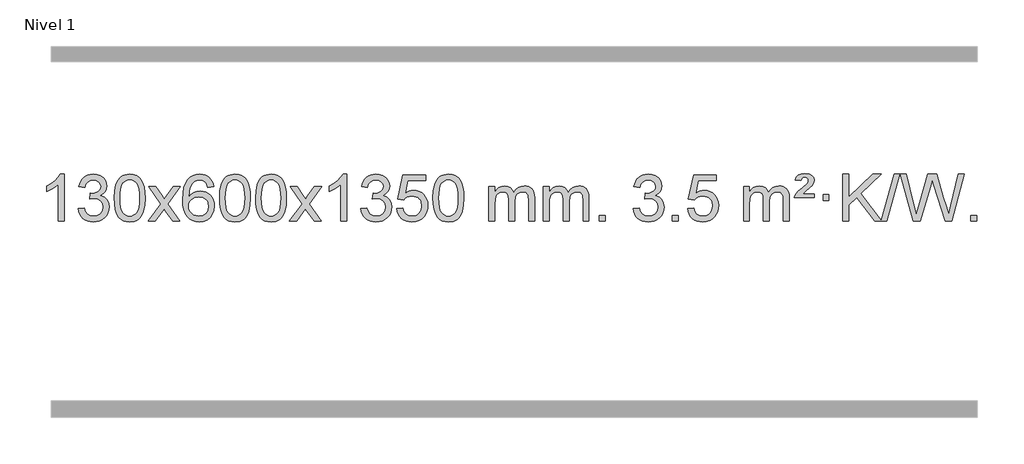
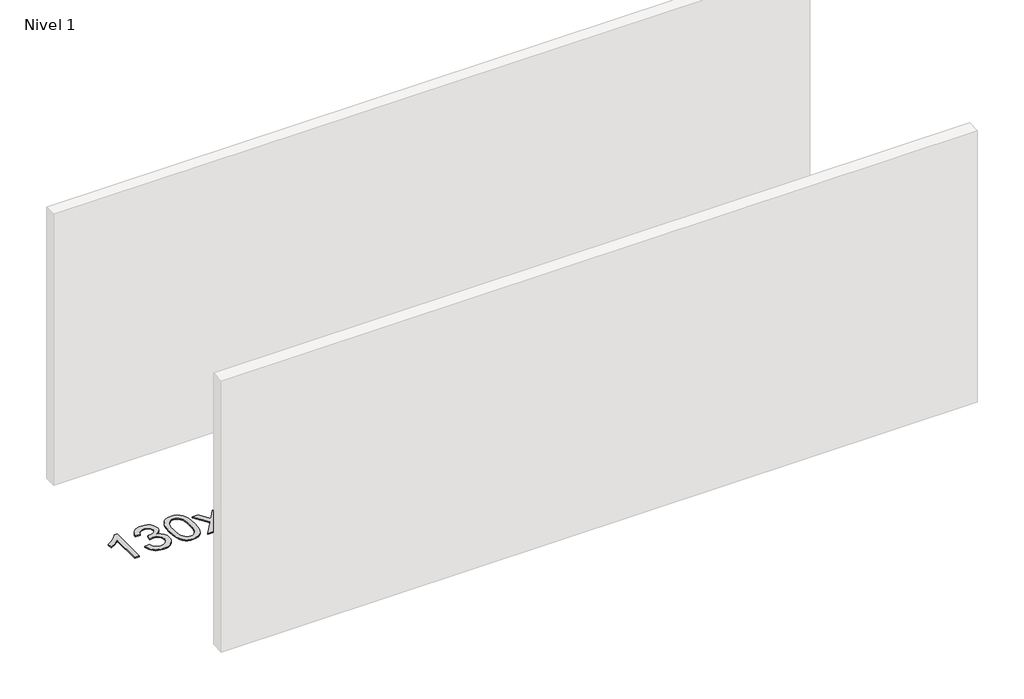
# One storey, part 12 of 25: 1 proxy.
"""IFC4 building model written with IfcOpenShell, lengths in millimetres."""

from ifc_helpers import new_model, si_unit, origin, origin_with_axes, place, context, project, spatial, polyline, outline, extrude, element, save

model = new_model("IFC4")

# Units and contexts
model_context = context("Model", 3, world=origin())
ifc_project = project(units=[si_unit("LENGTHUNIT", "METRE", prefix="MILLI")], contexts=[model_context])

# Site, building, storey
site = spatial("IfcSite", under=ifc_project)
building = spatial("IfcBuilding", under=site)
storey = spatial("IfcBuildingStorey", under=building, Name="Nivel 1", Elevation=0.0)

# Proxy
placement = place(None, origin())
element("IfcBuildingElementProxy", 1, Name="Texto de modelo 1", ObjectType="Texto de modelo 1", at=placement, inside=storey, context=model_context, shape_type="SweptSolid", body=[
    extrude(outline(polyline([(-121.6378538, -33710.579453), (-171.8660089, -33710.579453), (-171.8660089, -33397.4382987), (-192.8352826, -33414.3976587), (-219.4454136, -33431.3324932), (-272.3223191, -33456.6918254), (-272.3223191, -33409.2105225), (-232.8731065, -33387.7507395), (-198.6968691, -33362.219729), (-171.7556443, -33335.0700378), (-154.0114694, -33308.7542124), (-121.6378538, -33308.7542124), (-121.6378538, -33710.579453)])), origin_with_axes(), (0.0, 0.0, 1.0), 10.0),
    extrude(outline(polyline([(-2.3459855, -33603.8446235), (47.8821695, -33597.5661041), (59.1270958, -33629.1303793), (75.5959465, -33650.4430095), (98.0980619, -33662.5831154), (127.4427824, -33666.6298173), (161.8765371, -33661.0625364), (176.1503585, -33654.1034354), (188.4621426, -33644.3606939), (205.4582908, -33619.4428201), (211.1236735, -33589.2274455), (205.5073417, -33560.5449126), (188.6583463, -33537.2825078), (163.1518614, -33521.8682522), (131.5630607, -33516.730167), (96.344491, -33522.2238715), (101.9362974, -33471.9957164), (109.9806503, -33472.5843276), (140.0733975, -33468.979084), (166.9778341, -33458.1633534), (178.0510822, -33449.9841103), (185.9605451, -33439.8673555), (190.7062228, -33427.8130888), (192.2881154, -33413.8213102), (187.7018532, -33392.1285352), (173.9430665, -33374.5315131), (152.9492674, -33362.8696539), (126.6579674, -33358.9823675), (100.3176166, -33362.9064421), (78.7842571, -33374.6786659), (63.0634332, -33394.299039), (54.1606889, -33421.7675613), (3.9325338, -33415.4890419), (9.8860908, -33391.5092672), (18.72139, -33370.3867093), (30.4384316, -33352.1213683), (45.0372154, -33336.713244), (62.0578891, -33324.4811677), (81.0406, -33315.7439703), (101.9853483, -33310.5016519), (124.8921339, -33308.7542124), (156.4686718, -33312.2000404), (185.4700357, -33322.5375245), (209.9219257, -33338.8469596), (227.8500416, -33360.2086408), (238.8497132, -33384.8199463), (242.5162704, -33410.8782543), (239.0336542, -33435.1584659), (228.5858056, -33457.1823347), (211.3198773, -33475.9443165), (187.3830221, -33490.4388671), (218.82467, -33503.1430586), (242.123863, -33524.77452), (256.5448372, -33554.1560286), (261.3518286, -33590.1103623), (258.9483329, -33615.5923218), (251.7378458, -33639.0631931), (239.7203673, -33660.5229762), (222.8958974, -33679.971671), (202.3987389, -33696.1094278), (179.3631946, -33707.636397), (153.7892646, -33714.5525785), (125.6769488, -33716.8579724), (100.2685656, -33714.8898037), (77.1165254, -33708.9852977), (56.2208281, -33699.1444543), (37.5814737, -33685.3672736), (21.9526202, -33668.4630959), (10.0884259, -33649.2412617), (1.9888906, -33627.7017708), (-2.3459855, -33603.8446235)])), origin_with_axes(), (0.0, 0.0, 1.0), 10.0),
    extrude(outline(polyline([(305.3014643, -33512.9041943), (308.992547, -33448.5861588), (320.065795, -33397.2911459), (338.4108439, -33358.2343407), (350.2689068, -33343.0009605), (363.9173289, -33330.6309284), (379.4020952, -33321.0598651), (396.769191, -33314.2233914), (437.1503714, -33308.7542124), (468.1015099, -33311.991574), (495.8152869, -33321.7036586), (518.9918526, -33337.5103217), (536.3313573, -33359.0314184), (549.4279563, -33386.0830078), (559.8758049, -33418.4811488), (566.7184101, -33459.6226186), (568.9992784, -33512.9041943), (565.3449839, -33576.8543477), (554.3821005, -33628.0267333), (536.1474163, -33667.1203266), (524.3169444, -33682.3996922), (510.6777195, -33694.8341036), (495.174559, -33704.4695462), (477.7522809, -33711.3520052), (437.1503714, -33716.8579724), (409.4856453, -33714.4667394), (384.960179, -33707.2930405), (363.5739723, -33695.3368757), (345.3270254, -33678.5982449), (327.8158424, -33648.3399508), (315.3078546, -33610.6381776), (307.8030619, -33565.4929255), (305.3014643, -33512.9041943)]), holes=[polyline([(355.5296194, -33512.8060924), (357.0011473, -33556.4706195), (361.4157313, -33591.8148822), (368.7733712, -33618.8388804), (379.0740671, -33637.5426142), (391.533004, -33650.2682656), (405.365367, -33659.3580165), (420.5711561, -33664.8118671), (437.1503714, -33666.6298173), (453.7295866, -33664.8057357), (468.9353757, -33659.3334911), (482.7677388, -33650.2130833), (495.2266757, -33637.4445124), (505.5273715, -33618.7101217), (512.8850114, -33591.6922549), (517.2995954, -33556.3909118), (518.7711234, -33512.8060924), (517.3486463, -33470.2973278), (513.0812152, -33435.5753989), (505.9688299, -33408.6403055), (496.0114906, -33389.4920476), (483.7610201, -33376.1440625), (469.7692416, -33366.6097875), (454.0361549, -33360.8892225), (436.5617602, -33358.9823675), (420.068384, -33360.6623619), (405.1201123, -33365.7023452), (391.716945, -33374.1023175), (379.858882, -33385.8622786), (369.2148296, -33406.708925), (361.611935, -33434.8151094), (357.0501983, -33470.1808319), (355.5296194, -33512.8060924)])]), origin_with_axes(), (0.0, 0.0, 1.0), 10.0),
    extrude(outline(polyline([(594.113356, -33710.579453), (701.4367967, -33562.1513307), (600.3918754, -33415.4890419), (660.6264207, -33415.4890419), (709.3830478, -33486.2204869), (732.2407824, -33519.4770192), (752.0573592, -33492.2047007), (807.583015, -33415.4890419), (868.0137641, -33415.4890419), (761.8675458, -33562.2494325), (864.0896895, -33710.579453), (803.7570423, -33710.579453), (742.1490708, -33621.3067555), (730.9654582, -33604.923744), (654.544105, -33710.579453), (594.113356, -33710.579453)])), origin_with_axes(), (0.0, 0.0, 1.0), 10.0),
    extrude(outline(polyline([(1152.9015812, -33415.4890419), (1102.6734261, -33421.7675613), (1094.5800222, -33396.874213), (1083.6416642, -33379.8780648), (1060.857506, -33364.2062918), (1033.3154073, -33358.9823675), (1009.9671633, -33362.0235253), (987.9923455, -33371.1469988), (969.1199991, -33390.3627017), (953.7057435, -33416.8134171), (943.2946831, -33454.227016), (939.4319221, -33506.3313693), (959.5795927, -33482.8237098), (983.7249143, -33466.2567573), (1010.5189863, -33456.434308), (1038.612908, -33453.1601582), (1062.7459669, -33455.398107), (1085.0150903, -33462.1119534), (1105.4202783, -33473.3016975), (1123.9615309, -33488.9673391), (1139.3696551, -33508.1769106), (1150.3754581, -33529.9984443), (1156.97894, -33554.4319401), (1159.1801006, -33581.4773982), (1155.0352967, -33617.4439945), (1142.6008853, -33650.786366), (1122.9069358, -33679.0642287), (1096.9835179, -33699.8372987), (1066.0078539, -33712.602804), (1031.1571662, -33716.8579724), (1001.2146375, -33714.0375437), (974.1722452, -33705.5762579), (950.0299893, -33691.4741147), (928.7878697, -33671.7311143), (911.4698248, -33645.5133908), (899.0997927, -33611.9870783), (891.6777734, -33571.1521768), (889.203767, -33523.0086864), (891.9506193, -33469.0342663), (900.191176, -33422.9693092), (913.9254371, -33384.8138149), (933.1534027, -33354.5677835), (953.9939177, -33334.5243462), (978.1576335, -33320.2076052), (1005.6445499, -33311.6175606), (1036.454667, -33308.7542124), (1059.5883131, -33310.5261773), (1080.52693, -33315.8420722), (1099.2705176, -33324.7018969), (1115.8190761, -33337.1056515), (1129.7250155, -33352.6364031), (1140.5407461, -33370.8772186), (1148.266268, -33391.8280983), (1152.9015812, -33415.4890419)]), holes=[polyline([(939.4319221, -33580.6925832), (942.3381899, -33602.9494439), (951.0569932, -33624.2007605), (964.5950506, -33642.472233), (981.9590807, -33655.7895612), (1002.9160917, -33663.9197533), (1027.2330916, -33666.6298173), (1060.3792594, -33661.0134855), (1074.2943959, -33653.9930708), (1086.4375674, -33644.1644901), (1096.2876078, -33631.9262824), (1103.323351, -33617.6769865), (1108.9519455, -33583.1451299), (1103.3969274, -33549.9989621), (1096.4531547, -33536.3781312), (1086.731873, -33524.725469), (1074.5519133, -33515.3904634), (1060.2321066, -33508.7226022), (1025.1729524, -33503.3883133), (992.0758356, -33508.7226022), (964.3988468, -33524.725469), (953.4758173, -33536.2248471), (945.6736533, -33549.3858254), (940.9923549, -33564.2084042), (939.4319221, -33580.6925832)])]), origin_with_axes(), (0.0, 0.0, 1.0), 10.0),
    extrude(outline(polyline([(1203.1297362, -33512.9041943), (1206.8208189, -33448.5861588), (1217.894067, -33397.2911459), (1236.2391158, -33358.2343407), (1248.0971788, -33343.0009605), (1261.7456008, -33330.6309284), (1277.2303671, -33321.0598651), (1294.597463, -33314.2233914), (1334.9786433, -33308.7542124), (1365.9297818, -33311.991574), (1393.6435588, -33321.7036586), (1416.8201245, -33337.5103217), (1434.1596292, -33359.0314184), (1447.2562282, -33386.0830078), (1457.7040769, -33418.4811488), (1464.546682, -33459.6226186), (1466.8275504, -33512.9041943), (1463.1732559, -33576.8543477), (1452.2103724, -33628.0267333), (1433.9756882, -33667.1203266), (1422.1452164, -33682.3996922), (1408.5059914, -33694.8341036), (1393.002831, -33704.4695462), (1375.5805529, -33711.3520052), (1334.9786433, -33716.8579724), (1307.3139173, -33714.4667394), (1282.7884509, -33707.2930405), (1261.4022443, -33695.3368757), (1243.1552973, -33678.5982449), (1225.6441144, -33648.3399508), (1213.1361265, -33610.6381776), (1205.6313338, -33565.4929255), (1203.1297362, -33512.9041943)]), holes=[polyline([(1253.3578913, -33512.8060924), (1254.8294193, -33556.4706195), (1259.2440032, -33591.8148822), (1266.6016432, -33618.8388804), (1276.902339, -33637.5426142), (1289.3612759, -33650.2682656), (1303.1936389, -33659.3580165), (1318.3994281, -33664.8118671), (1334.9786433, -33666.6298173), (1351.5578586, -33664.8057357), (1366.7636477, -33659.3334911), (1380.5960107, -33650.2130833), (1393.0549476, -33637.4445124), (1403.3556435, -33618.7101217), (1410.7132834, -33591.6922549), (1415.1278673, -33556.3909118), (1416.5993953, -33512.8060924), (1415.1769183, -33470.2973278), (1410.9094871, -33435.5753989), (1403.7971019, -33408.6403055), (1393.8397625, -33389.4920476), (1381.5892921, -33376.1440625), (1367.5975136, -33366.6097875), (1351.8644269, -33360.8892225), (1334.3900321, -33358.9823675), (1317.896656, -33360.6623619), (1302.9483843, -33365.7023452), (1289.5452169, -33374.1023175), (1277.6871539, -33385.8622786), (1267.0431015, -33406.708925), (1259.440207, -33434.8151094), (1254.8784702, -33470.1808319), (1253.3578913, -33512.8060924)])]), origin_with_axes(), (0.0, 0.0, 1.0), 10.0),
    extrude(outline(polyline([(1510.7771861, -33512.9041943), (1514.4682688, -33448.5861588), (1525.5415168, -33397.2911459), (1543.8865656, -33358.2343407), (1555.7446286, -33343.0009605), (1569.3930506, -33330.6309284), (1584.877817, -33321.0598651), (1602.2449128, -33314.2233914), (1642.6260932, -33308.7542124), (1673.5772317, -33311.991574), (1701.2910087, -33321.7036586), (1724.4675743, -33337.5103217), (1741.8070791, -33359.0314184), (1754.9036781, -33386.0830078), (1765.3515267, -33418.4811488), (1772.1941319, -33459.6226186), (1774.4750002, -33512.9041943), (1770.8207057, -33576.8543477), (1759.8578223, -33628.0267333), (1741.6231381, -33667.1203266), (1729.7926662, -33682.3996922), (1716.1534413, -33694.8341036), (1700.6502808, -33704.4695462), (1683.2280027, -33711.3520052), (1642.6260932, -33716.8579724), (1614.9613671, -33714.4667394), (1590.4359008, -33707.2930405), (1569.0496941, -33695.3368757), (1550.8027472, -33678.5982449), (1533.2915642, -33648.3399508), (1520.7835764, -33610.6381776), (1513.2787836, -33565.4929255), (1510.7771861, -33512.9041943)]), holes=[polyline([(1561.0053412, -33512.8060924), (1562.4768691, -33556.4706195), (1566.8914531, -33591.8148822), (1574.249093, -33618.8388804), (1584.5497888, -33637.5426142), (1597.0087258, -33650.2682656), (1610.8410888, -33659.3580165), (1626.0468779, -33664.8118671), (1642.6260932, -33666.6298173), (1659.2053084, -33664.8057357), (1674.4110975, -33659.3334911), (1688.2434606, -33650.2130833), (1700.7023975, -33637.4445124), (1711.0030933, -33618.7101217), (1718.3607332, -33591.6922549), (1722.7753172, -33556.3909118), (1724.2468452, -33512.8060924), (1722.8243681, -33470.2973278), (1718.556937, -33435.5753989), (1711.4445517, -33408.6403055), (1701.4872124, -33389.4920476), (1689.2367419, -33376.1440625), (1675.2449634, -33366.6097875), (1659.5118767, -33360.8892225), (1642.037482, -33358.9823675), (1625.5441058, -33360.6623619), (1610.5958341, -33365.7023452), (1597.1926667, -33374.1023175), (1585.3346038, -33385.8622786), (1574.6905514, -33406.708925), (1567.0876568, -33434.8151094), (1562.5259201, -33470.1808319), (1561.0053412, -33512.8060924)])]), origin_with_axes(), (0.0, 0.0, 1.0), 10.0),
    extrude(outline(polyline([(1799.5890778, -33710.579453), (1906.9125185, -33562.1513307), (1805.8675971, -33415.4890419), (1866.1021425, -33415.4890419), (1914.8587696, -33486.2204869), (1937.7165042, -33519.4770192), (1957.533081, -33492.2047007), (2013.0587368, -33415.4890419), (2073.4894859, -33415.4890419), (1967.3432676, -33562.2494325), (2069.5654113, -33710.579453), (2009.2327641, -33710.579453), (1947.6247926, -33621.3067555), (1936.44118, -33604.923744), (1860.0198268, -33710.579453), (1799.5890778, -33710.579453)])), origin_with_axes(), (0.0, 0.0, 1.0), 10.0),
    extrude(outline(polyline([(2289.3135897, -33710.579453), (2239.0854347, -33710.579453), (2239.0854347, -33397.4382987), (2218.1161609, -33414.3976587), (2191.50603, -33431.3324932), (2138.6291245, -33456.6918254), (2138.6291245, -33409.2105225), (2178.0783371, -33387.7507395), (2212.2545745, -33362.219729), (2239.1957993, -33335.0700378), (2256.9399742, -33308.7542124), (2289.3135897, -33308.7542124), (2289.3135897, -33710.579453)])), origin_with_axes(), (0.0, 0.0, 1.0), 10.0),
    extrude(outline(polyline([(2408.605458, -33603.8446235), (2458.8336131, -33597.5661041), (2470.0785394, -33629.1303793), (2486.5473901, -33650.4430095), (2509.0495055, -33662.5831154), (2538.3942259, -33666.6298173), (2572.8279807, -33661.0625364), (2587.1018021, -33654.1034354), (2599.4135862, -33644.3606939), (2616.4097344, -33619.4428201), (2622.0751171, -33589.2274455), (2616.4587853, -33560.5449126), (2599.6097899, -33537.2825078), (2574.1033049, -33521.8682522), (2542.5145043, -33516.730167), (2507.2959346, -33522.2238715), (2512.8877409, -33471.9957164), (2520.9320939, -33472.5843276), (2551.0248411, -33468.979084), (2577.9292777, -33458.1633534), (2589.0025257, -33449.9841103), (2596.9119886, -33439.8673555), (2601.6576664, -33427.8130888), (2603.239559, -33413.8213102), (2598.6532968, -33392.1285352), (2584.8945101, -33374.5315131), (2563.9007109, -33362.8696539), (2537.609411, -33358.9823675), (2511.2690602, -33362.9064421), (2489.7357007, -33374.6786659), (2474.0148768, -33394.299039), (2465.1121325, -33421.7675613), (2414.8839774, -33415.4890419), (2420.8375344, -33391.5092672), (2429.6728336, -33370.3867093), (2441.3898752, -33352.1213683), (2455.988659, -33336.713244), (2473.0093327, -33324.4811677), (2491.9920436, -33315.7439703), (2512.9367919, -33310.5016519), (2535.8435774, -33308.7542124), (2567.4201154, -33312.2000404), (2596.4214793, -33322.5375245), (2620.8733693, -33338.8469596), (2638.8014852, -33360.2086408), (2649.8011568, -33384.8199463), (2653.467714, -33410.8782543), (2649.9850978, -33435.1584659), (2639.5372491, -33457.1823347), (2622.2713208, -33475.9443165), (2598.3344657, -33490.4388671), (2629.7761135, -33503.1430586), (2653.0753066, -33524.77452), (2667.4962808, -33554.1560286), (2672.3032722, -33590.1103623), (2669.8997765, -33615.5923218), (2662.6892894, -33639.0631931), (2650.6718109, -33660.5229762), (2633.847341, -33679.971671), (2613.3501825, -33696.1094278), (2590.3146382, -33707.636397), (2564.7407082, -33714.5525785), (2536.6283924, -33716.8579724), (2511.2200092, -33714.8898037), (2488.067969, -33708.9852977), (2467.1722717, -33699.1444543), (2448.5329173, -33685.3672736), (2432.9040638, -33668.4630959), (2421.0398695, -33649.2412617), (2412.9403342, -33627.7017708), (2408.605458, -33603.8446235)])), origin_with_axes(), (0.0, 0.0, 1.0), 10.0),
    extrude(outline(polyline([(2716.2529079, -33603.8446235), (2766.481063, -33597.5661041), (2775.7026383, -33627.7201649), (2791.7913442, -33649.3148381), (2814.6736043, -33662.3010725), (2844.2758422, -33666.6298173), (2863.4057059, -33665.1245668), (2880.2792268, -33660.6088153), (2894.8964047, -33653.0825628), (2907.2572398, -33642.5458094), (2917.0858204, -33629.519721), (2924.1062352, -33614.5254641), (2929.7225669, -33578.6324441), (2924.4618544, -33544.8363514), (2917.8859638, -33530.9181493), (2908.6797168, -33518.9865099), (2896.8124568, -33509.4154467), (2882.2535268, -33502.5789729), (2845.0606571, -33497.1097939), (2820.6946063, -33499.2925604), (2800.9638686, -33505.8408599), (2785.2062565, -33515.8717757), (2772.7595823, -33528.5023908), (2722.5314273, -33522.2238715), (2766.481063, -33315.0327318), (2961.1151639, -33315.0327318), (2961.1151639, -33365.2608869), (2807.0952352, -33365.2608869), (2785.5128248, -33475.919791), (2803.2386056, -33463.2155994), (2821.3935821, -33454.1411769), (2839.9777542, -33448.6965234), (2858.991122, -33446.8816388), (2883.4552747, -33449.1318504), (2905.9328646, -33455.882485), (2926.4238917, -33467.1335427), (2944.9283561, -33482.8850234), (2960.2506412, -33502.1743027), (2971.1951305, -33524.038756), (2977.7618241, -33548.4783832), (2979.950722, -33575.4931844), (2977.9825533, -33601.5147042), (2972.0780473, -33625.7213394), (2962.237204, -33648.1130902), (2948.4600232, -33668.6899565), (2927.5888514, -33689.7634634), (2903.2350633, -33704.8159684), (2875.398659, -33713.8474714), (2844.0796385, -33716.8579724), (2818.1592862, -33714.9235262), (2794.7466629, -33709.1201877), (2773.8417685, -33699.447957), (2755.4446031, -33685.9068338), (2740.1376464, -33669.1712688), (2728.5033783, -33649.915712), (2720.5417988, -33628.1401636), (2716.2529079, -33603.8446235)])), origin_with_axes(), (0.0, 0.0, 1.0), 10.0),
    extrude(outline(polyline([(3023.9003577, -33512.9041943), (3027.5914404, -33448.5861588), (3038.6646885, -33397.2911459), (3057.0097373, -33358.2343407), (3068.8678003, -33343.0009605), (3082.5162223, -33330.6309284), (3098.0009886, -33321.0598651), (3115.3680844, -33314.2233914), (3155.7492648, -33308.7542124), (3186.7004033, -33311.991574), (3214.4141803, -33321.7036586), (3237.590746, -33337.5103217), (3254.9302507, -33359.0314184), (3268.0268497, -33386.0830078), (3278.4746984, -33418.4811488), (3285.3173035, -33459.6226186), (3287.5981719, -33512.9041943), (3283.9438774, -33576.8543477), (3272.9809939, -33628.0267333), (3254.7463097, -33667.1203266), (3242.9158379, -33682.3996922), (3229.2766129, -33694.8341036), (3213.7734525, -33704.4695462), (3196.3511743, -33711.3520052), (3155.7492648, -33716.8579724), (3128.0845387, -33714.4667394), (3103.5590724, -33707.2930405), (3082.1728657, -33695.3368757), (3063.9259188, -33678.5982449), (3046.4147358, -33648.3399508), (3033.906748, -33610.6381776), (3026.4019553, -33565.4929255), (3023.9003577, -33512.9041943)]), holes=[polyline([(3074.1285128, -33512.8060924), (3075.6000408, -33556.4706195), (3080.0146247, -33591.8148822), (3087.3722646, -33618.8388804), (3097.6729605, -33637.5426142), (3110.1318974, -33650.2682656), (3123.9642604, -33659.3580165), (3139.1700495, -33664.8118671), (3155.7492648, -33666.6298173), (3172.32848, -33664.8057357), (3187.5342692, -33659.3334911), (3201.3666322, -33650.2130833), (3213.8255691, -33637.4445124), (3224.126265, -33618.7101217), (3231.4839049, -33591.6922549), (3235.8984888, -33556.3909118), (3237.3700168, -33512.8060924), (3235.9475397, -33470.2973278), (3231.6801086, -33435.5753989), (3224.5677233, -33408.6403055), (3214.610384, -33389.4920476), (3202.3599136, -33376.1440625), (3188.368135, -33366.6097875), (3172.6350484, -33360.8892225), (3155.1606536, -33358.9823675), (3138.6672775, -33360.6623619), (3123.7190057, -33365.7023452), (3110.3158384, -33374.1023175), (3098.4577754, -33385.8622786), (3087.813723, -33406.708925), (3080.2108284, -33434.8151094), (3075.6490917, -33470.1808319), (3074.1285128, -33512.8060924)])]), origin_with_axes(), (0.0, 0.0, 1.0), 10.0),
    extrude(outline(polyline([(3501.0678309, -33710.579453), (3501.0678309, -33415.4890419), (3551.295986, -33415.4890419), (3551.295986, -33464.0494653), (3566.4036733, -33441.7435537), (3585.8278426, -33424.2691589), (3608.9063064, -33412.9751816), (3634.9768772, -33409.2105225), (3662.9113833, -33413.048758), (3685.3031341, -33424.5634645), (3702.0295022, -33442.9943524), (3712.9678601, -33467.5811324), (3731.2761208, -33442.0439906), (3752.1595554, -33423.803175), (3775.6181639, -33412.8586857), (3801.6519464, -33409.2105225), (3821.7597632, -33410.7280358), (3839.4089019, -33415.2805755), (3854.5993626, -33422.8681416), (3867.3311453, -33433.4907342), (3877.3957836, -33447.2709806), (3884.5848109, -33464.3315082), (3888.8982273, -33484.6723168), (3890.3360328, -33508.2934066), (3890.3360328, -33710.579453), (3840.1078777, -33710.579453), (3840.1078777, -33529.875817), (3838.942918, -33504.8230531), (3835.4480391, -33487.9372695), (3828.8997396, -33476.3735121), (3818.5745182, -33467.2868268), (3805.2939782, -33461.4007149), (3789.8797226, -33459.4386776), (3762.6687177, -33464.4663982), (3740.4854334, -33479.54956), (3731.8800604, -33491.1194488), (3725.7333654, -33505.7182326), (3720.8160094, -33544.0024856), (3720.8160094, -33710.579453), (3670.5878543, -33710.579453), (3670.5878543, -33524.2840106), (3667.6815865, -33495.8835206), (3658.9627833, -33475.6254854), (3643.6221041, -33463.4853796), (3620.8502086, -33459.4386776), (3601.4996156, -33462.1364789), (3583.6696016, -33470.2298828), (3568.9543218, -33483.5226856), (3558.9479315, -33501.8186835), (3553.2089724, -33527.2025411), (3551.295986, -33561.7589232), (3551.295986, -33710.579453), (3501.0678309, -33710.579453)])), origin_with_axes(), (0.0, 0.0, 1.0), 10.0),
    extrude(outline(polyline([(3965.6782654, -33710.579453), (3965.6782654, -33415.4890419), (4015.9064204, -33415.4890419), (4015.9064204, -33464.0494653), (4031.0141077, -33441.7435537), (4050.4382771, -33424.2691589), (4073.5167409, -33412.9751816), (4099.5873116, -33409.2105225), (4127.5218178, -33413.048758), (4149.9135685, -33424.5634645), (4166.6399366, -33442.9943524), (4177.5782946, -33467.5811324), (4195.8865552, -33442.0439906), (4216.7699898, -33423.803175), (4240.2285984, -33412.8586857), (4266.2623809, -33409.2105225), (4286.3701976, -33410.7280358), (4304.0193363, -33415.2805755), (4319.209797, -33422.8681416), (4331.9415798, -33433.4907342), (4342.006218, -33447.2709806), (4349.1952453, -33464.3315082), (4353.5086617, -33484.6723168), (4354.9464672, -33508.2934066), (4354.9464672, -33710.579453), (4304.7183121, -33710.579453), (4304.7183121, -33529.875817), (4303.5533525, -33504.8230531), (4300.0584735, -33487.9372695), (4293.510174, -33476.3735121), (4283.1849527, -33467.2868268), (4269.9044126, -33461.4007149), (4254.490157, -33459.4386776), (4227.2791521, -33464.4663982), (4205.0958678, -33479.54956), (4196.4904948, -33491.1194488), (4190.3437998, -33505.7182326), (4185.4264438, -33544.0024856), (4185.4264438, -33710.579453), (4135.1982887, -33710.579453), (4135.1982887, -33524.2840106), (4132.292021, -33495.8835206), (4123.5732177, -33475.6254854), (4108.2325385, -33463.4853796), (4085.460643, -33459.4386776), (4066.11005, -33462.1364789), (4048.280036, -33470.2298828), (4033.5647562, -33483.5226856), (4023.5583659, -33501.8186835), (4017.8194068, -33527.2025411), (4015.9064204, -33561.7589232), (4015.9064204, -33710.579453), (3965.6782654, -33710.579453)])), origin_with_axes(), (0.0, 0.0, 1.0), 10.0),
    extrude(outline(polyline([(4442.8457386, -33710.579453), (4442.8457386, -33660.3512979), (4493.0738936, -33660.3512979), (4493.0738936, -33710.579453), (4442.8457386, -33710.579453)])), origin_with_axes(), (0.0, 0.0, 1.0), 10.0),
    extrude(outline(polyline([(4731.6576303, -33603.8446235), (4781.8857853, -33597.5661041), (4793.1307116, -33629.1303793), (4809.5995623, -33650.4430095), (4832.1016777, -33662.5831154), (4861.4463982, -33666.6298173), (4895.8801529, -33661.0625364), (4910.1539743, -33654.1034354), (4922.4657584, -33644.3606939), (4939.4619066, -33619.4428201), (4945.1272893, -33589.2274455), (4939.5109575, -33560.5449126), (4922.6619621, -33537.2825078), (4897.1554772, -33521.8682522), (4865.5666765, -33516.730167), (4830.3481068, -33522.2238715), (4835.9399132, -33471.9957164), (4843.9842661, -33472.5843276), (4874.0770133, -33468.979084), (4900.9814499, -33458.1633534), (4912.054698, -33449.9841103), (4919.9641609, -33439.8673555), (4924.7098386, -33427.8130888), (4926.2917312, -33413.8213102), (4921.705469, -33392.1285352), (4907.9466823, -33374.5315131), (4886.9528832, -33362.8696539), (4860.6615832, -33358.9823675), (4834.3212324, -33362.9064421), (4812.7878729, -33374.6786659), (4797.067049, -33394.299039), (4788.1643047, -33421.7675613), (4737.9361496, -33415.4890419), (4743.8897066, -33391.5092672), (4752.7250058, -33370.3867093), (4764.4420474, -33352.1213683), (4779.0408312, -33336.713244), (4796.0615049, -33324.4811677), (4815.0442158, -33315.7439703), (4835.9889641, -33310.5016519), (4858.8957497, -33308.7542124), (4890.4722876, -33312.2000404), (4919.4736515, -33322.5375245), (4943.9255415, -33338.8469596), (4961.8536574, -33360.2086408), (4972.853329, -33384.8199463), (4976.5198862, -33410.8782543), (4973.03727, -33435.1584659), (4962.5894214, -33457.1823347), (4945.3234931, -33475.9443165), (4921.3866379, -33490.4388671), (4952.8282858, -33503.1430586), (4976.1274788, -33524.77452), (4990.548453, -33554.1560286), (4995.3554444, -33590.1103623), (4992.9519487, -33615.5923218), (4985.7414616, -33639.0631931), (4973.7239831, -33660.5229762), (4956.8995132, -33679.971671), (4936.4023547, -33696.1094278), (4913.3668104, -33707.636397), (4887.7928804, -33714.5525785), (4859.6805646, -33716.8579724), (4834.2721814, -33714.8898037), (4811.1201412, -33708.9852977), (4790.2244439, -33699.1444543), (4771.5850895, -33685.3672736), (4755.956236, -33668.4630959), (4744.0920417, -33649.2412617), (4735.9925064, -33627.7017708), (4731.6576303, -33603.8446235)])), origin_with_axes(), (0.0, 0.0, 1.0), 10.0),
    extrude(outline(polyline([(5064.4191576, -33710.579453), (5064.4191576, -33660.3512979), (5114.6473127, -33660.3512979), (5114.6473127, -33710.579453), (5064.4191576, -33710.579453)])), origin_with_axes(), (0.0, 0.0, 1.0), 10.0),
    extrude(outline(polyline([(5196.2680647, -33603.8446235), (5246.4962198, -33597.5661041), (5255.7177951, -33627.7201649), (5271.806501, -33649.3148381), (5294.6887611, -33662.3010725), (5324.290999, -33666.6298173), (5343.4208628, -33665.1245668), (5360.2943836, -33660.6088153), (5374.9115616, -33653.0825628), (5387.2723966, -33642.5458094), (5397.1009772, -33629.519721), (5404.121392, -33614.5254641), (5409.7377238, -33578.6324441), (5404.4770112, -33544.8363514), (5397.9011206, -33530.9181493), (5388.6948736, -33518.9865099), (5376.8276136, -33509.4154467), (5362.2686837, -33502.5789729), (5325.0758139, -33497.1097939), (5300.7097631, -33499.2925604), (5280.9790255, -33505.8408599), (5265.2214133, -33515.8717757), (5252.7747392, -33528.5023908), (5202.5465841, -33522.2238715), (5246.4962198, -33315.0327318), (5441.1303207, -33315.0327318), (5441.1303207, -33365.2608869), (5287.110392, -33365.2608869), (5265.5279817, -33475.919791), (5283.2537625, -33463.2155994), (5301.4087389, -33454.1411769), (5319.992911, -33448.6965234), (5339.0062788, -33446.8816388), (5363.4704315, -33449.1318504), (5385.9480214, -33455.882485), (5406.4390485, -33467.1335427), (5424.9435129, -33482.8850234), (5440.265798, -33502.1743027), (5451.2102874, -33524.038756), (5457.776981, -33548.4783832), (5459.9658788, -33575.4931844), (5457.9977102, -33601.5147042), (5452.0932041, -33625.7213394), (5442.2523608, -33648.1130902), (5428.4751801, -33668.6899565), (5407.6040082, -33689.7634634), (5383.2502201, -33704.8159684), (5355.4138158, -33713.8474714), (5324.0947953, -33716.8579724), (5298.174443, -33714.9235262), (5274.7618197, -33709.1201877), (5253.8569254, -33699.447957), (5235.4597599, -33685.9068338), (5220.1528032, -33669.1712688), (5208.5185351, -33649.915712), (5200.5569556, -33628.1401636), (5196.2680647, -33603.8446235)])), origin_with_axes(), (0.0, 0.0, 1.0), 10.0),
    extrude(outline(polyline([(5673.4355379, -33710.579453), (5673.4355379, -33415.4890419), (5723.663693, -33415.4890419), (5723.663693, -33464.0494653), (5738.7713802, -33441.7435537), (5758.1955496, -33424.2691589), (5781.2740134, -33412.9751816), (5807.3445842, -33409.2105225), (5835.2790903, -33413.048758), (5857.6708411, -33424.5634645), (5874.3972091, -33442.9943524), (5885.3355671, -33467.5811324), (5903.6438278, -33442.0439906), (5924.5272623, -33423.803175), (5947.9858709, -33412.8586857), (5974.0196534, -33409.2105225), (5994.1274702, -33410.7280358), (6011.7766089, -33415.2805755), (6026.9670696, -33422.8681416), (6039.6988523, -33433.4907342), (6049.7634906, -33447.2709806), (6056.9525179, -33464.3315082), (6061.2659343, -33484.6723168), (6062.7037397, -33508.2934066), (6062.7037397, -33710.579453), (6012.4755847, -33710.579453), (6012.4755847, -33529.875817), (6011.310625, -33504.8230531), (6007.8157461, -33487.9372695), (6001.2674465, -33476.3735121), (5990.9422252, -33467.2868268), (5977.6616852, -33461.4007149), (5962.2474296, -33459.4386776), (5935.0364247, -33464.4663982), (5912.8531404, -33479.54956), (5904.2477674, -33491.1194488), (5898.1010724, -33505.7182326), (5893.1837164, -33544.0024856), (5893.1837164, -33710.579453), (5842.9555613, -33710.579453), (5842.9555613, -33524.2840106), (5840.0492935, -33495.8835206), (5831.3304902, -33475.6254854), (5815.989811, -33463.4853796), (5793.2179155, -33459.4386776), (5773.8673226, -33462.1364789), (5756.0373086, -33470.2298828), (5741.3220287, -33483.5226856), (5731.3156385, -33501.8186835), (5725.5766794, -33527.2025411), (5723.663693, -33561.7589232), (5723.663693, -33710.579453), (5673.4355379, -33710.579453)])), origin_with_axes(), (0.0, 0.0, 1.0), 10.0),
    extrude(outline(polyline([(6106.6533754, -33509.6668327), (6110.4793482, -33493.8479069), (6118.8180067, -33477.9799302), (6140.3268407, -33452.8413272), (6172.2835234, -33425.1030247), (6216.4293628, -33387.726214), (6223.5662735, -33376.1992448), (6225.9452437, -33364.3779701), (6224.0567828, -33352.2869152), (6218.3914001, -33342.5012541), (6209.022672, -33336.026531), (6196.0241748, -33333.8682899), (6183.5897634, -33335.4869707), (6174.73607, -33340.343013), (6168.3103978, -33349.8098431), (6163.1600499, -33365.2608869), (6112.9318948, -33358.9823675), (6123.7721509, -33333.7701881), (6140.4004171, -33316.2099542), (6164.165594, -33305.9092583), (6196.4165822, -33302.475693), (6232.1992376, -33306.6082341), (6256.9454332, -33319.0058573), (6271.3664074, -33337.3386434), (6276.1733988, -33359.2766731), (6272.0776459, -33382.1834586), (6259.7903873, -33403.8149199), (6239.262572, -33423.6314968), (6202.7932035, -33451.6886303), (6177.1886166, -33478.2742358), (6276.1733988, -33478.2742358), (6276.1733988, -33509.6668327), (6106.6533754, -33509.6668327)])), origin_with_axes(), (0.0, 0.0, 1.0), 10.0),
    extrude(outline(polyline([(6351.5156314, -33534.7809102), (6351.5156314, -33484.5527552), (6401.7437865, -33484.5527552), (6401.7437865, -33534.7809102), (6351.5156314, -33534.7809102)])), origin_with_axes(), (0.0, 0.0, 1.0), 10.0),
    extrude(outline(polyline([(6792.3854144, -33710.579453), (6638.8559951, -33507.9009991), (6571.2638099, -33572.4520265), (6571.2638099, -33710.579453), (6521.0356548, -33710.579453), (6521.0356548, -33308.7542124), (6571.2638099, -33308.7542124), (6571.2638099, -33505.4484525), (6777.2777272, -33308.7542124), (6847.5186628, -33308.7542124), (6674.4669722, -33473.9577537), (6849.2180057, -33704.5373449), (6960.5320117, -33308.7542124), (7006.0512772, -33308.7542124), (6892.9398265, -33710.579453), (6853.7971822, -33710.579453), (6847.5186628, -33710.579453), (6792.3854144, -33710.579453)])), origin_with_axes(), (0.0, 0.0, 1.0), 10.0),
    extrude(outline(polyline([(7120.3399504, -33710.579453), (7010.7601668, -33308.7542124), (7062.5579517, -33308.7542124), (7126.1279605, -33572.844434), (7145.7483335, -33654.3670841), (7166.7421327, -33582.2622131), (7246.4008474, -33308.7542124), (7321.056367, -33308.7542124), (7378.9364675, -33507.0180823), (7403.731714, -33580.5944814), (7422.0031864, -33654.3670841), (7441.0349483, -33575.1988788), (7505.0954664, -33308.7542124), (7556.9913532, -33308.7542124), (7447.5096714, -33710.579453), (7393.7498492, -33710.579453), (7297.3157155, -33400.5775584), (7283.87576, -33357.3146358), (7268.7680727, -33409.4067263), (7180.9669032, -33710.579453), (7120.3399504, -33710.579453)])), origin_with_axes(), (0.0, 0.0, 1.0), 10.0),
    extrude(outline(polyline([(7613.4980277, -33710.579453), (7613.4980277, -33660.3512979), (7663.7261827, -33660.3512979), (7663.7261827, -33710.579453), (7613.4980277, -33710.579453)])), origin_with_axes(), (0.0, 0.0, 1.0), 10.0),
])

save(model, "model.ifc")
